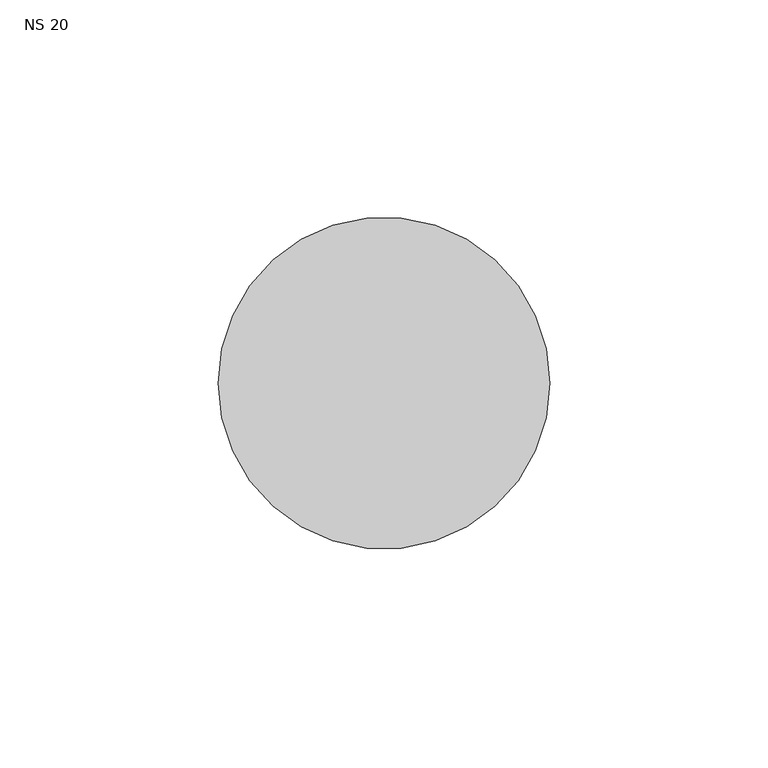
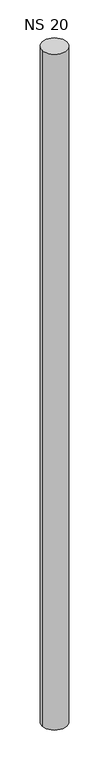
"""IFC4 building model written with IfcOpenShell, lengths in millimetres: unitary equipment geometry, NS 20."""

from ifc_helpers import new_model, si_unit, point, frame, frame_2d, origin, place, context, project, spatial, circle_curve, trimmed, segment, composite_curve, outline, extrude, source, transform, mapped, element, save


def ns_20_0ac54e60(model_context):
    return source(origin(), model_context, "Body", "SweptSolid", [
        extrude(outline(composite_curve([segment(trimmed(circle_curve(frame_2d((830.3, 454.2)), 38.0), [point((792.3, 454.2))], [point((868.3, 454.2))], False, "CARTESIAN"), True, "CONTINUOUS"), segment(trimmed(circle_curve(frame_2d((830.3, 454.2)), 38.0), [point((868.3, 454.2))], [point((792.3, 454.2))], False, "CARTESIAN"), True, "CONTINUOUS")], self_intersect=False)), frame((0.0, 0.0, 135.0), z_axis=(0.0, 0.0, 1.0), x_axis=(1.0, 0.0, 0.0)), (0.0, 0.0, 1.0), 2192.0),
    ])


if __name__ == "__main__":
    model = new_model("IFC4")
    model_context = context("Model", 3, world=origin())
    ifc_project = project(units=[si_unit("LENGTHUNIT", "METRE", prefix="MILLI")], contexts=[model_context])
    site = spatial("IfcSite", under=ifc_project)
    building = spatial("IfcBuilding", under=site)
    placement = place(None, origin())
    ns_20_shape = ns_20_0ac54e60(model_context)
    element("IfcUnitaryEquipment", 1, ObjectType="NS 20", at=placement, inside=building, context=model_context, shape_type="MappedRepresentation", body=[
        mapped(ns_20_shape, transform((0.0, 0.0, 0.0), x_axis=(1.0, 0.0, 0.0), y_axis=(0.0, 1.0, 0.0), z_axis=(0.0, 0.0, 1.0))),
    ])
    save(model, "model.ifc")
